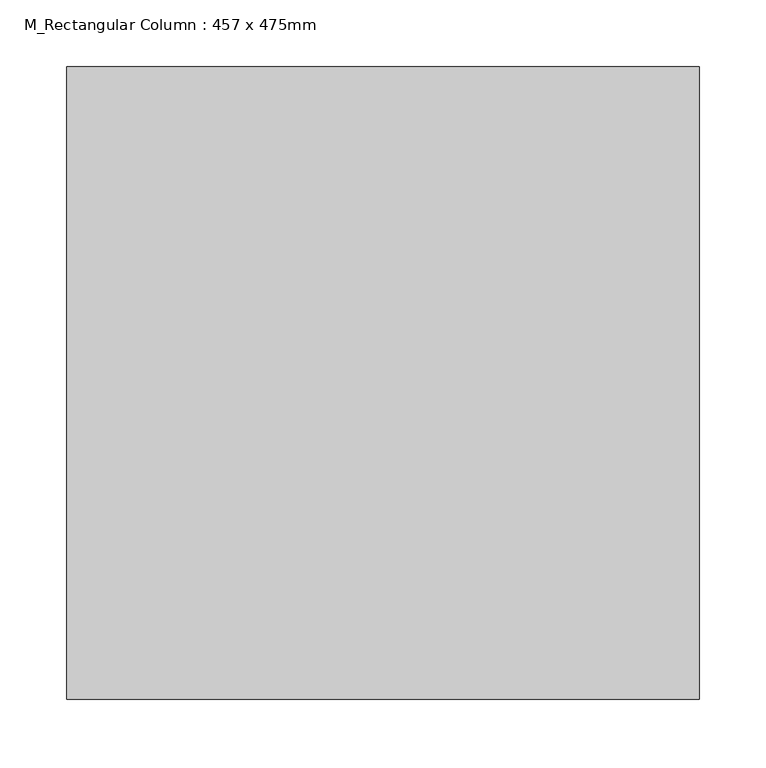
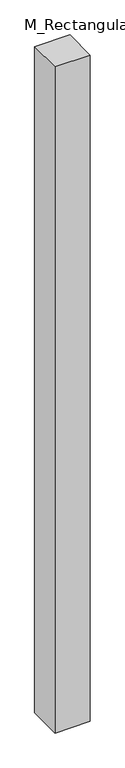
"""IFC4 building model written with IfcOpenShell, lengths in millimetres: column geometry, M_Rectangular Column : 457 x 475mm."""

from ifc_helpers import new_model, si_unit, frame, origin, place, context, project, spatial, polyline, outline, extrude, source, transform, mapped, element, save


def m_rectangular_column_457_x_475mm_98f13e9d(model_context):
    return source(origin(), model_context, "Body", "SweptSolid", [
        extrude(outline(polyline([(237.5, 237.5), (237.5, -237.5), (-237.5, -237.5), (-237.5, 237.5), (237.5, 237.5)])), frame((0.0, 0.0, -1500.0), z_axis=(0.0, 0.0, 1.0), x_axis=(1.0, 0.0, 0.0)), (0.0, 0.0, 1.0), 9500.0),
    ])


if __name__ == "__main__":
    model = new_model("IFC4")
    model_context = context("Model", 3, world=origin())
    ifc_project = project(units=[si_unit("LENGTHUNIT", "METRE", prefix="MILLI")], contexts=[model_context])
    site = spatial("IfcSite", under=ifc_project)
    building = spatial("IfcBuilding", under=site)
    placement = place(None, origin())
    m_rectangular_column_457_x_475mm_shape = m_rectangular_column_457_x_475mm_98f13e9d(model_context)
    element("IfcColumn", 1, ObjectType="M_Rectangular Column : 457 x 475mm", at=placement, inside=building, context=model_context, shape_type="MappedRepresentation", body=[
        mapped(m_rectangular_column_457_x_475mm_shape, transform((0.0, 0.0, 0.0), x_axis=(1.0, 0.0, 0.0), y_axis=(0.0, 1.0, 0.0), z_axis=(0.0, 0.0, 1.0))),
    ])
    save(model, "model.ifc")
